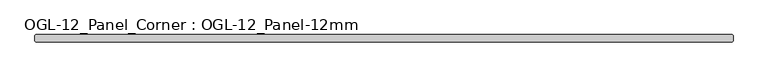
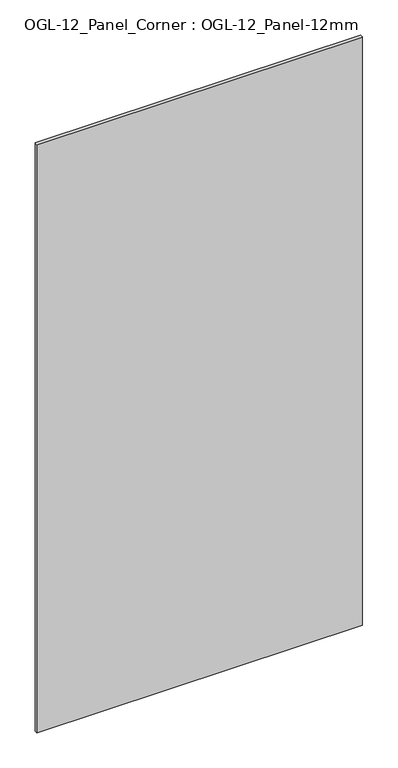
"""IFC4 building model written with IfcOpenShell, lengths in millimetres: plate geometry, OGL-12_Panel_Corner : OGL-12_Panel-12mm."""

from ifc_helpers import new_model, si_unit, origin, origin_with_axes, place, context, project, spatial, polyline, outline, extrude, source, transform, mapped, element, save


def ogl_12_panel_corner_ogl_12_panel_12mm_20aad27c(model_context):
    return source(origin(), model_context, "Body", "SweptSolid", [
        extrude(outline(polyline([(601.553228, 6.35), (603.140728, 4.7625), (603.140728, -4.7625), (601.553228, -6.35), (-601.553228, -6.35), (-603.140728, -4.7625), (-603.140728, 4.7625), (-601.553228, 6.35), (601.553228, 6.35)])), origin_with_axes(), (0.0, 0.0, 1.0), 2303.3985282),
    ])


if __name__ == "__main__":
    model = new_model("IFC4")
    model_context = context("Model", 3, world=origin())
    ifc_project = project(units=[si_unit("LENGTHUNIT", "METRE", prefix="MILLI")], contexts=[model_context])
    site = spatial("IfcSite", under=ifc_project)
    building = spatial("IfcBuilding", under=site)
    placement = place(None, origin())
    ogl_12_panel_corner_ogl_12_panel_12mm_shape = ogl_12_panel_corner_ogl_12_panel_12mm_20aad27c(model_context)
    element("IfcPlate", 1, ObjectType="OGL-12_Panel_Corner : OGL-12_Panel-12mm", at=placement, inside=building, context=model_context, shape_type="MappedRepresentation", body=[
        mapped(ogl_12_panel_corner_ogl_12_panel_12mm_shape, transform((0.0, 0.0, 0.0), x_axis=(1.0, 0.0, 0.0), y_axis=(0.0, 1.0, 0.0), z_axis=(0.0, 0.0, 1.0))),
    ])
    save(model, "model.ifc")
